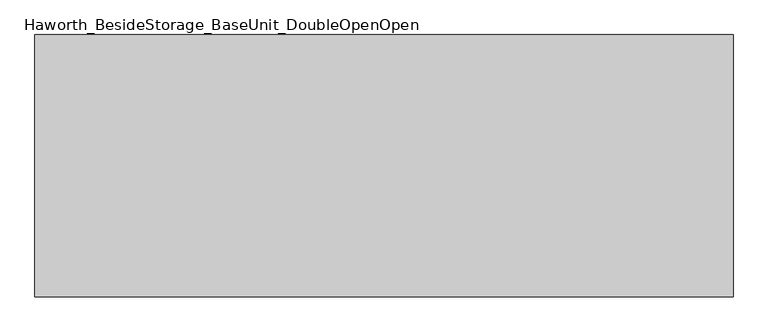
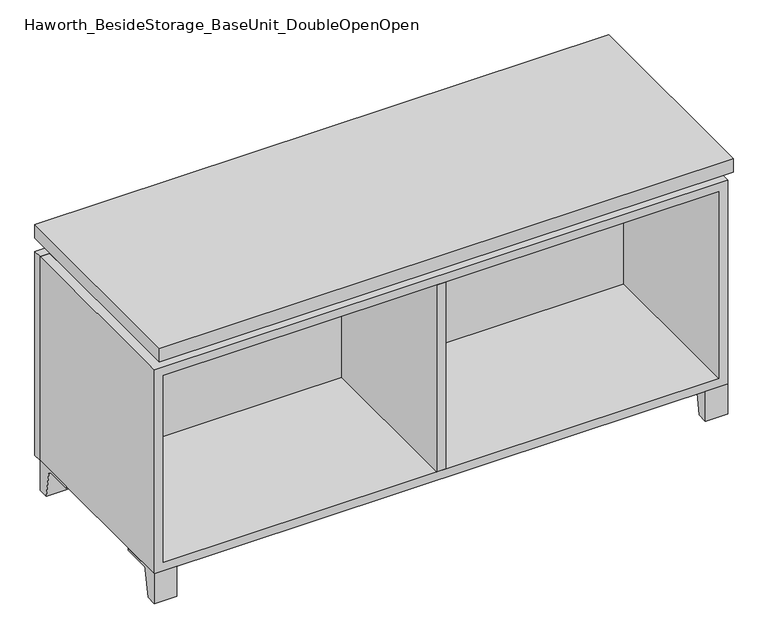
"""IFC4 building model written with IfcOpenShell, lengths in millimetres: furniture geometry, Haworth_BesideStorage_BaseUnit_DoubleOpenOpen."""

from ifc_helpers import new_model, si_unit, point, frame, frame_2d, origin, place, context, project, spatial, polyline, circle_curve, trimmed, segment, composite_curve, outline, extrude, faceted_brep, source, transform, mapped, element, save


def haworth_besidestorage_baseunit_doubleopenopen_fdb59c20(model_context):
    return source(origin(), model_context, "Body", "SolidModel", [
        extrude(outline(composite_curve([segment(polyline([(44.9791531, 0.0), (22.225, 0.0), (22.225, 66.675), (117.475, 66.675), (117.475, 61.8963321), (60.6744655, 61.8963321)]), True, "CONTINUOUS"), segment(trimmed(circle_curve(frame_2d((60.6744655, 55.5463321)), 6.35), [point((60.6744655, 61.8963321))], [point((54.4108641, 56.5902656))], True, "CARTESIAN"), True, "CONTINUOUS"), segment(polyline([(54.4108641, 56.5902656), (44.9791531, 0.0)]), True, "CONTINUOUS")], self_intersect=False)), frame((-23.7986094, 0.0, 0.0), z_axis=(1.0, 0.0, 0.0), x_axis=(0.0, 1.0, 0.0)), (0.0, 0.0, 1.0), 47.625),
        extrude(outline(composite_curve([segment(polyline([(-123.2958469, 0.0), (-146.05, 0.0), (-146.05, 66.675), (-50.8, 66.675), (-50.8, 61.8963321), (-107.6005345, 61.8963321)]), True, "CONTINUOUS"), segment(trimmed(circle_curve(frame_2d((-107.6005345, 55.5463321)), 6.35), [point((-107.6005345, 61.8963321))], [point((-113.8641359, 56.5902656))], True, "CARTESIAN"), True, "CONTINUOUS"), segment(polyline([(-113.8641359, 56.5902656), (-123.2958469, 0.0)]), True, "CONTINUOUS")], self_intersect=False)), frame((560.4013906, 0.0, 0.0), z_axis=(1.0, 0.0, 0.0), x_axis=(0.0, 1.0, 0.0)), (0.0, 0.0, 1.0), 47.625),
        extrude(outline(composite_curve([segment(polyline([(250.2958469, 0.0), (240.8641359, 56.5902656)]), True, "CONTINUOUS"), segment(trimmed(circle_curve(frame_2d((234.6005345, 55.5463321)), 6.35), [point((240.8641359, 56.5902656))], [point((234.6005345, 61.8963321))], True, "CARTESIAN"), True, "CONTINUOUS"), segment(polyline([(234.6005345, 61.8963321), (177.8, 61.8963321), (177.8, 66.675), (273.05, 66.675), (273.05, 0.0), (250.2958469, 0.0)]), True, "CONTINUOUS")], self_intersect=False)), frame((560.4013906, 0.0, 0.0), z_axis=(1.0, 0.0, 0.0), x_axis=(0.0, 1.0, 0.0)), (0.0, 0.0, 1.0), 47.625),
        extrude(outline(composite_curve([segment(polyline([(-123.2958469, 0.0), (-146.05, 0.0), (-146.05, 66.675), (-50.8, 66.675), (-50.8, 61.8963321), (-107.6005345, 61.8963321)]), True, "CONTINUOUS"), segment(trimmed(circle_curve(frame_2d((-107.6005345, 55.5463321)), 6.35), [point((-107.6005345, 61.8963321))], [point((-113.8641359, 56.5902656))], True, "CARTESIAN"), True, "CONTINUOUS"), segment(polyline([(-113.8641359, 56.5902656), (-123.2958469, 0.0)]), True, "CONTINUOUS")], self_intersect=False)), frame((-607.9986094, 0.0, 0.0), z_axis=(1.0, 0.0, 0.0), x_axis=(0.0, 1.0, 0.0)), (0.0, 0.0, 1.0), 47.625),
        extrude(outline(composite_curve([segment(polyline([(250.2958469, 0.0), (240.8641359, 56.5902656)]), True, "CONTINUOUS"), segment(trimmed(circle_curve(frame_2d((234.6005345, 55.5463321)), 6.35), [point((240.8641359, 56.5902656))], [point((234.6005345, 61.8963321))], True, "CARTESIAN"), True, "CONTINUOUS"), segment(polyline([(234.6005345, 61.8963321), (177.8, 61.8963321), (177.8, 66.675), (273.05, 66.675), (273.05, 0.0), (250.2958469, 0.0)]), True, "CONTINUOUS")], self_intersect=False)), frame((-607.9986094, 0.0, 0.0), z_axis=(1.0, 0.0, 0.0), x_axis=(0.0, 1.0, 0.0)), (0.0, 0.0, 1.0), 47.625),
        faceted_brep([(-607.9986094, -146.05, 66.675), (608.0125, -146.05, 66.675), (608.0125, -146.05, 523.875), (-607.9986094, -146.05, 523.875), (-588.9486094, -146.05, 85.725), (-588.9486094, -146.05, 504.825), (588.9694453, -146.05, 504.825), (588.9486094, -146.05, 85.725), (-607.9986094, 273.05, 66.675), (-607.9986094, 273.05, 523.875), (-588.9486094, 273.05, 523.875), (-588.9486094, 273.05, 85.725), (588.9486094, 273.05, 85.725), (588.9486094, 273.05, 523.875), (608.0125, 273.05, 523.875), (608.0125, 273.05, 66.675), (588.9486094, 247.65, 523.875), (-588.9416641, 247.65, 523.875), (-588.9486094, 247.65, 504.825), (588.9486094, 247.65, 504.825)], [[[0, 1, 2, 3], [4, 5, 6, 7]], [[8, 9, 10, 11, 12, 13, 14, 15]], [[1, 0, 8, 15]], [[2, 1, 15, 14]], [[3, 2, 14, 13, 16, 17, 10, 9]], [[0, 3, 9, 8]], [[11, 10, 17, 18, 5, 4]], [[13, 12, 7, 6, 19, 16]], [[4, 7, 12, 11]], [[6, 5, 18, 19]], [[17, 16, 19, 18]]]),
        extrude(outline(polyline([(608.0263906, -165.1), (-607.9986094, -165.1), (-607.9986094, 292.1), (608.0263906, 292.1), (608.0263906, -165.1)])), frame((0.0, 0.0, 554.0375), z_axis=(0.0, 0.0, 1.0), x_axis=(1.0, 0.0, 0.0)), (0.0, 0.0, 1.0), 30.1625),
        faceted_brep([(7.9513906, -69.85, 554.0375), (7.9513906, -69.85, 523.875), (7.9513906, 53.975, 523.875), (7.9513906, 53.975, 554.0375), (7.9513906, 196.85, 523.875), (7.9513906, 196.85, 554.0375), (7.9513906, 73.025, 554.0375), (7.9513906, 73.025, 523.875), (-7.9236094, 196.85, 554.0375), (-7.9236094, 196.85, 523.875), (-7.9236094, 73.025, 523.875), (-7.9236094, 73.025, 554.0375), (-7.9236094, -69.85, 523.875), (-7.9236094, -69.85, 554.0375), (-7.9236094, 53.975, 554.0375), (-7.9236094, 53.975, 523.875), (-566.6958281, 73.025, 554.0375), (-566.7166641, 247.65, 554.0375), (-582.5916641, 247.65, 554.0375), (-582.5916641, -120.65, 554.0375), (-566.7166641, -120.65, 554.0375), (-566.7166641, 53.975, 554.0375), (566.7236094, 53.975, 554.0375), (566.7236094, -120.65, 554.0375), (582.5986094, -120.65, 554.0375), (582.5986094, 247.65, 554.0375), (566.7236094, 247.65, 554.0375), (566.7236094, 73.025, 554.0375), (-566.6958281, 53.975, 523.875), (-566.7166641, -120.65, 523.875), (-582.5916641, -120.65, 523.875), (-582.5916641, 247.65, 523.875), (-566.7166641, 247.65, 523.875), (-566.7166641, 73.025, 523.875), (566.7236094, 73.025, 523.875), (566.7236094, 247.65, 523.875), (582.5986094, 247.65, 523.875), (582.5986094, -120.65, 523.875), (566.7236094, -120.65, 523.875), (566.7236094, 53.975, 523.875)], [[[0, 1, 2, 3]], [[4, 5, 6, 7]], [[8, 9, 10, 11]], [[12, 13, 14, 15]], [[5, 8, 11, 16, 17, 18, 19, 20, 21, 14, 13, 0, 3, 22, 23, 24, 25, 26, 27, 6]], [[1, 12, 15, 28, 29, 30, 31, 32, 33, 10, 9, 4, 7, 34, 35, 36, 37, 38, 39, 2]], [[5, 4, 9, 8]], [[1, 0, 13, 12]], [[6, 27, 34, 7]], [[22, 3, 2, 39]], [[20, 29, 28, 21]], [[32, 17, 16, 33]], [[18, 31, 30, 19]], [[29, 20, 19, 30]], [[17, 32, 31, 18]], [[26, 35, 34, 27]], [[38, 23, 22, 39]], [[25, 24, 37, 36]], [[23, 38, 37, 24]], [[35, 26, 25, 36]], [[16, 11, 10, 33]], [[14, 21, 28, 15]]]),
        extrude(outline(polyline([(9.5388906, 203.2), (9.5388906, -146.05), (-9.5111094, -146.05), (-9.5111094, 203.2), (9.5388906, 203.2)])), frame((0.0, 0.0, 85.725), z_axis=(0.0, 0.0, 1.0), x_axis=(1.0, 0.0, 0.0)), (0.0, 0.0, 1.0), 419.1),
        extrude(outline(polyline([(608.0263906, 273.05), (-607.9986094, 273.05), (-607.9986094, 292.1), (608.0263906, 292.1), (608.0263906, 273.05)])), frame((0.0, 0.0, 66.675), z_axis=(0.0, 0.0, 1.0), x_axis=(1.0, 0.0, 0.0)), (0.0, 0.0, 1.0), 457.2),
        extrude(outline(polyline([(-588.9416641, 203.2), (-588.9416641, 209.55), (588.9694453, 209.55), (588.9694453, 203.2), (-588.9416641, 203.2)])), frame((0.0, 0.0, 85.725), z_axis=(0.0, 0.0, 1.0), x_axis=(1.0, 0.0, 0.0)), (0.0, 0.0, 1.0), 419.1),
    ])


if __name__ == "__main__":
    model = new_model("IFC4")
    model_context = context("Model", 3, world=origin())
    ifc_project = project(units=[si_unit("LENGTHUNIT", "METRE", prefix="MILLI")], contexts=[model_context])
    site = spatial("IfcSite", under=ifc_project)
    building = spatial("IfcBuilding", under=site)
    placement = place(None, origin())
    haworth_besidestorage_baseunit_doubleopenopen_shape = haworth_besidestorage_baseunit_doubleopenopen_fdb59c20(model_context)
    element("IfcFurniture", 1, ObjectType="Haworth_BesideStorage_BaseUnit_DoubleOpenOpen", at=placement, inside=building, context=model_context, shape_type="MappedRepresentation", body=[
        mapped(haworth_besidestorage_baseunit_doubleopenopen_shape, transform((0.0, 0.0, 0.0), x_axis=(1.0, 0.0, 0.0), y_axis=(0.0, 1.0, 0.0), z_axis=(0.0, 0.0, 1.0))),
    ])
    save(model, "model.ifc")
